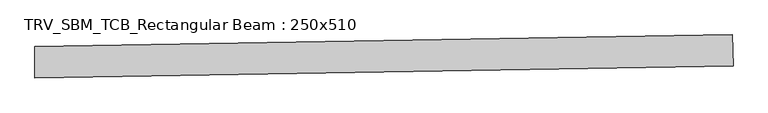
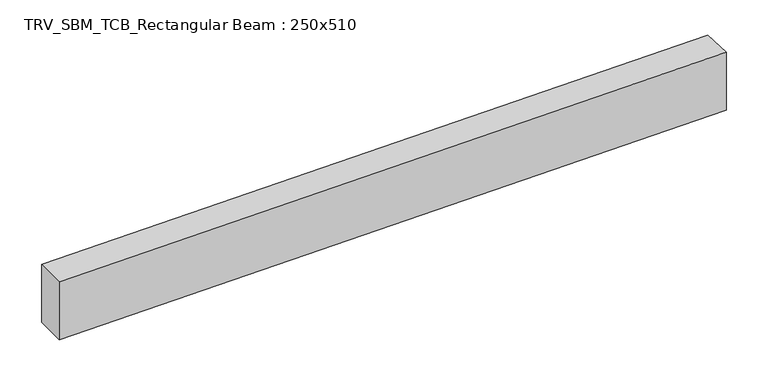
"""IFC4 building model written with IfcOpenShell, lengths in millimetres: beam geometry, TRV_SBM_TCB_Rectangular Beam : 250x510."""

from ifc_helpers import new_model, si_unit, point, frame, frame_2d, origin, place, context, project, spatial, polyline, circle_curve, trimmed, segment, composite_curve, outline, extrude, source, transform, mapped, element, save


def trv_sbm_tcb_rectangular_beam_250x510_697b7b45(model_context):
    return source(origin(), model_context, "Body", "SweptSolid", [
        extrude(outline(composite_curve([segment(polyline([(5564.4801385, 221.0405608), (5573.1073559, -28.8105371)]), True, "CONTINUOUS"), segment(trimmed(circle_curve(frame_2d((0.0, 161372.8245734)), 161497.8245734), [point((5573.1073559, -28.8105371))], [point((-12.710293, -124.9994998))], False, "CARTESIAN"), True, "CONTINUOUS"), segment(polyline([(-12.710293, -124.9994998), (-12.6906173, 125.0004994)]), True, "CONTINUOUS"), segment(trimmed(circle_curve(frame_2d((0.0, 161372.8245734)), 161247.8245734), [point((-12.6906173, 125.0004994))], [point((5564.4801385, 221.0405608))], True, "CARTESIAN"), True, "CONTINUOUS")], self_intersect=False)), frame((0.0, 0.0, -255.0), z_axis=(0.0, 0.0, 1.0), x_axis=(1.0, 0.0, 0.0)), (0.0, 0.0, 1.0), 510.0),
    ])


if __name__ == "__main__":
    model = new_model("IFC4")
    model_context = context("Model", 3, world=origin())
    ifc_project = project(units=[si_unit("LENGTHUNIT", "METRE", prefix="MILLI")], contexts=[model_context])
    site = spatial("IfcSite", under=ifc_project)
    building = spatial("IfcBuilding", under=site)
    placement = place(None, origin())
    trv_sbm_tcb_rectangular_beam_250x510_shape = trv_sbm_tcb_rectangular_beam_250x510_697b7b45(model_context)
    element("IfcBeam", 1, ObjectType="TRV_SBM_TCB_Rectangular Beam : 250x510", at=placement, inside=building, context=model_context, shape_type="MappedRepresentation", body=[
        mapped(trv_sbm_tcb_rectangular_beam_250x510_shape, transform((0.0, 0.0, 0.0), x_axis=(1.0, 0.0, 0.0), y_axis=(0.0, 1.0, 0.0), z_axis=(0.0, 0.0, 1.0))),
    ])
    save(model, "model.ifc")
